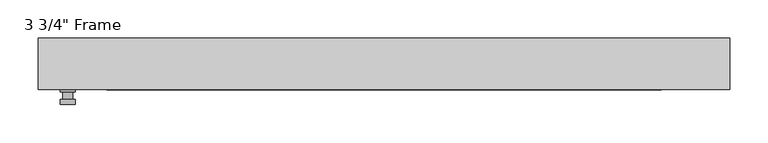
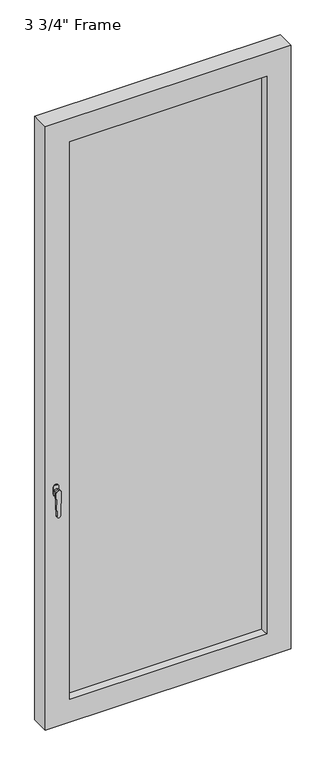
"""IFC4 building model written with IfcOpenShell, lengths in millimetres: plate geometry."""

from ifc_helpers import new_model, si_unit, frame, origin, place, context, project, spatial, polyline, circle_curve, outline, extrude, faceted_brep, source, transform, mapped, element, save
from ifc_brep_helpers import plane_surface, cylinder_surface, advanced_brep


def plate_93e1479c(model_context):
    return source(origin(), model_context, "Body", "SolidModel", [
        advanced_brep(
        [(-401.6375, -33.3375, 927.1), (-401.6375, -33.3375, 901.7), (-420.6875, -33.3375, 901.7), (-420.6875, -33.3375, 927.1), (-404.8125, -46.0375, 914.4), (-417.5125, -46.0375, 914.4), (-417.5125, -36.5125, 914.4), (-404.8125, -36.5125, 914.4), (-401.6375, -46.0375, 914.4), (-404.8165356, -46.0375, 825.2736467), (-417.5084644, -46.0375, 825.2736467), (-420.6875, -46.0375, 914.4), (-401.6375, -52.3875, 914.4), (-420.6875, -52.3875, 914.4), (-417.5084644, -52.3875, 825.2736467), (-404.8165356, -52.3875, 825.2736467), (-401.6375, -36.5125, 927.1), (-420.6875, -36.5125, 927.1), (-420.6875, -36.5125, 901.7), (-401.6375, -36.5125, 901.7)],
        [
            (0, 1),
            (1, 2, circle_curve(frame((-411.1625, -33.3375, 901.7), z_axis=(0.0, 1.0, 0.0), x_axis=(-1.0, 0.0, 0.0)), 9.525)),
            (2, 3),
            (3, 0, circle_curve(frame((-411.1625, -33.3375, 927.1), z_axis=(0.0, 1.0, 0.0), x_axis=(-1.0, 0.0, 0.0)), 9.525)),
            (4, 5, circle_curve(frame((-411.1625, -46.0375, 914.4), z_axis=(0.0, 1.0, 0.0), x_axis=(-1.0, 0.0, 0.0)), 6.35)),
            (5, 6),
            (6, 7, circle_curve(frame((-411.1625, -36.5125, 914.4), z_axis=(0.0, -1.0, 0.0), x_axis=(-1.0, 0.0, 0.0)), 6.35)),
            (7, 4),
            (5, 4, circle_curve(frame((-411.1625, -46.0375, 914.4), z_axis=(0.0, 1.0, 0.0), x_axis=(-1.0, 0.0, 0.0)), 6.35)),
            (7, 6, circle_curve(frame((-411.1625, -36.5125, 914.4), z_axis=(0.0, -1.0, 0.0), x_axis=(-1.0, 0.0, 0.0)), 6.35)),
            (8, 9),
            (9, 10, circle_curve(frame((-411.1625, -46.0375, 825.5), z_axis=(0.0, 1.0, 0.0), x_axis=(-1.0, 0.0, 0.0)), 6.35)),
            (10, 11),
            (11, 8, circle_curve(frame((-411.1625, -46.0375, 914.4), z_axis=(0.0, 1.0, 0.0), x_axis=(-1.0, 0.0, 0.0)), 9.525)),
            (12, 13, circle_curve(frame((-411.1625, -52.3875, 914.4), z_axis=(0.0, -1.0, 0.0), x_axis=(-1.0, 0.0, 0.0)), 9.525)),
            (13, 14),
            (14, 15, circle_curve(frame((-411.1625, -52.3875, 825.5), z_axis=(0.0, -1.0, 0.0), x_axis=(-1.0, 0.0, 0.0)), 6.35)),
            (15, 12),
            (8, 12),
            (15, 9),
            (14, 10),
            (13, 11),
            (16, 17, circle_curve(frame((-411.1625, -36.5125, 927.1), z_axis=(0.0, -1.0, 0.0), x_axis=(-1.0, 0.0, 0.0)), 9.525)),
            (17, 18),
            (18, 19, circle_curve(frame((-411.1625, -36.5125, 901.7), z_axis=(0.0, -1.0, 0.0), x_axis=(-1.0, 0.0, 0.0)), 9.525)),
            (19, 16),
            (0, 16),
            (19, 1),
            (18, 2),
            (17, 3),
        ],
        [
            plane_surface(frame((-417.5125, -33.3375, 914.4), z_axis=(0.0, 1.0, 0.0), x_axis=(0.0, 0.0, 1.0))),
            cylinder_surface(frame((-411.1625, -46.0375, 914.4), z_axis=(0.0, 1.0, 0.0), x_axis=(-1.0, 0.0, 0.0)), 6.35),
            plane_surface(frame((-401.6375, -46.0375, 914.4), z_axis=(0.0, 1.0000000000000002, 0.0), x_axis=(-0.03564619348186888, 0.0, -0.9993644724975235))),
            plane_surface(frame((-401.6375, -52.3875, 914.4), z_axis=(0.0, -1.0000000000000002, 0.0), x_axis=(0.03564619348186888, 0.0, 0.9993644724975235))),
            plane_surface(frame((-401.6375, -46.0375, 914.4), z_axis=(0.9993644724975235, 0.0, -0.03564619348186888), x_axis=(0.0, -1.0, 0.0))),
            cylinder_surface(frame((-411.1625, -52.3875, 825.5), z_axis=(0.0, 1.0, 0.0), x_axis=(-1.0, 0.0, 0.0)), 6.35),
            plane_surface(frame((-417.5084644, -46.0375, 825.2736467), z_axis=(-0.9993644724975228, 0.0, -0.03564619348188612), x_axis=(0.0, -1.0, 0.0))),
            cylinder_surface(frame((-411.1625, -52.3875, 914.4), z_axis=(0.0, 1.0, 0.0), x_axis=(-1.0, 0.0, 0.0)), 9.525),
            plane_surface(frame((-401.6375, -36.5125, 901.7), z_axis=(0.0, -1.0, 0.0), x_axis=(0.0, 0.0, 1.0))),
            plane_surface(frame((-401.6375, -33.3375, 927.1), z_axis=(1.0, 0.0, 0.0), x_axis=(0.0, -1.0, 0.0))),
            cylinder_surface(frame((-411.1625, -36.5125, 901.7), z_axis=(0.0, 1.0, 0.0), x_axis=(-1.0, 0.0, 0.0)), 9.525),
            plane_surface(frame((-420.6875, -33.3375, 901.7), z_axis=(-1.0, 0.0, 0.0), x_axis=(0.0, -1.0, 0.0))),
            cylinder_surface(frame((-411.1625, -36.5125, 927.1), z_axis=(0.0, 1.0, 0.0), x_axis=(-1.0, 0.0, 0.0)), 9.525),
        ],
        [
            (0, [[1, 2, 3, 4]]),
            (1, [[5, 6, 7, 8]]),
            (1, [[9, -8, 10, -6]]),
            (2, [[11, 12, 13, 14], [-5, -9]]),
            (3, [[15, 16, 17, 18]]),
            (4, [[-11, 19, -18, 20]]),
            (5, [[-12, -20, -17, 21]]),
            (6, [[-13, -21, -16, 22]]),
            (7, [[-14, -22, -15, -19]]),
            (8, [[23, 24, 25, 26], [-7, -10]]),
            (9, [[-1, 27, -26, 28]]),
            (10, [[-2, -28, -25, 29]]),
            (11, [[-3, -29, -24, 30]]),
            (12, [[-4, -30, -23, -27]]),
        ],
    ),
        faceted_brep([(-449.2625, -33.3375, 0.0), (-449.2625, 33.3375, 0.0), (449.2625, 33.3375, 0.0), (449.2625, -33.3375, 0.0), (449.2625, -33.3375, 2330.45), (-449.2625, -33.3375, 2330.45), (-360.3625, -33.3375, 2241.55), (360.3625, -33.3375, 2241.55), (360.3625, -33.3375, 88.9), (-360.3625, -33.3375, 88.9), (-449.2625, 33.3375, 2330.45), (449.2625, 33.3375, 2330.45), (-360.3625, 33.3375, 2241.55), (-360.3625, 33.3375, 88.9), (360.3625, 33.3375, 88.9), (360.3625, 33.3375, 2241.55), (-354.0125, 11.90625, 2235.2), (-354.0125, 11.90625, 95.25), (366.7125, 11.90625, 2247.9), (-366.7125, 11.90625, 2247.9), (-366.7125, 11.90625, 82.55), (366.7125, 11.90625, 82.55), (354.0125, 11.90625, 2235.2), (354.0125, 11.90625, 95.25), (-366.7125, -11.90625, 2247.9), (-366.7125, -11.90625, 82.55), (366.7125, -11.90625, 2247.9), (366.7125, -11.90625, 82.55), (-354.0125, -11.90625, 2235.2), (-354.0125, -11.90625, 95.25), (354.0125, -11.90625, 95.25), (354.0125, -11.90625, 2235.2)], [[[0, 1, 2, 3]], [[0, 3, 4, 5], [6, 7, 8, 9]], [[1, 0, 5, 10]], [[2, 1, 10, 11], [12, 13, 14, 15]], [[12, 16, 17, 13]], [[18, 19, 20, 21], [16, 22, 23, 17]], [[20, 19, 24, 25]], [[24, 26, 27, 25], [28, 29, 30, 31]], [[28, 6, 9, 29]], [[5, 4, 11, 10]], [[12, 15, 22, 16]], [[19, 18, 26, 24]], [[7, 6, 28, 31]], [[4, 3, 2, 11]], [[22, 15, 14, 23]], [[27, 26, 18, 21]], [[7, 31, 30, 8]], [[9, 8, 30, 29]], [[21, 20, 25, 27]], [[17, 23, 14, 13]]]),
        extrude(outline(polyline([(366.7125, -11.90625), (-366.7125, -11.90625), (-366.7125, 11.90625), (366.7125, 11.90625), (366.7125, -11.90625)])), frame((0.0, 0.0, 82.55), z_axis=(0.0, 0.0, 1.0), x_axis=(1.0, 0.0, 0.0)), (0.0, 0.0, 1.0), 2165.35),
    ])


if __name__ == "__main__":
    model = new_model("IFC4")
    model_context = context("Model", 3, world=origin())
    ifc_project = project(units=[si_unit("LENGTHUNIT", "METRE", prefix="MILLI")], contexts=[model_context])
    site = spatial("IfcSite", under=ifc_project)
    building = spatial("IfcBuilding", under=site)
    placement = place(None, origin())
    plate_shape = plate_93e1479c(model_context)
    element("IfcPlate", 1, ObjectType="3 3/4\" Frame", at=placement, inside=building, context=model_context, shape_type="MappedRepresentation", body=[
        mapped(plate_shape, transform((0.0, 0.0, 0.0), x_axis=(1.0, 0.0, 0.0), y_axis=(0.0, 1.0, 0.0), z_axis=(0.0, 0.0, 1.0))),
    ])
    save(model, "model.ifc")
